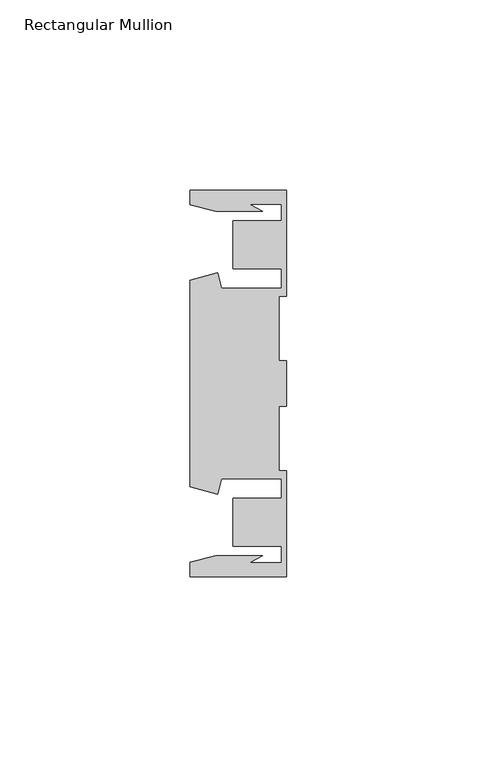
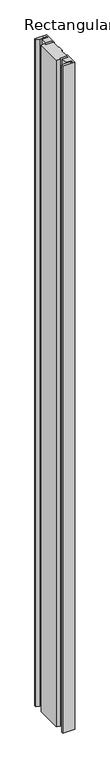
"""IFC4 building model written with IfcOpenShell, lengths in millimetres: member geometry, Rectangular Mullion."""

from ifc_helpers import new_model, si_unit, frame, origin, place, context, project, spatial, polyline, outline, extrude, source, transform, mapped, element, save


def rectangular_mullion_53c0f093(model_context):
    return source(origin(), model_context, "Body", "SweptSolid", [
        extrude(outline(polyline([(-25.4, 50.7954622), (0.0, 50.7954622), (0.0, 22.9938072), (-2.0000011, 22.9938072), (-2.0000011, 6.0000032), (0.0, 6.0000032), (0.0, -6.0000032), (-2.0000011, -6.0000032), (-2.0000011, -22.9938072), (0.0, -22.9938072), (0.0, -50.7954622), (-25.4, -50.7954622), (-25.4, -46.9998463), (-18.7113002, -45.2076146), (-6.3834869, -45.2076146), (-9.7005662, -47.1227313), (-1.4138425, -47.1227313), (-1.4138425, -42.8128906), (-14.1138425, -42.8128906), (-14.1138425, -30.1128906), (-1.4138425, -30.1128906), (-1.4138425, -25.0120132), (-17.1094033, -25.0120132), (-18.2017212, -29.0885993), (-25.4, -27.1598263), (-25.4, 27.1598263), (-18.2017212, 29.0885993), (-17.1094033, 25.0120132), (-1.4138425, 25.0120132), (-1.4138425, 30.1128906), (-14.1138425, 30.1128906), (-14.1138425, 42.8128906), (-1.4138425, 42.8128906), (-1.4138425, 47.1227313), (-9.7005662, 47.1227313), (-6.3834869, 45.2076146), (-18.7113002, 45.2076146), (-25.4, 46.9998463), (-25.4, 50.7954622)])), frame((0.0, 0.0, -1491.3428571), z_axis=(0.0, 0.0, 1.0), x_axis=(1.0, 0.0, 0.0)), (0.0, 0.0, 1.0), 1491.3428571),
    ])


if __name__ == "__main__":
    model = new_model("IFC4")
    model_context = context("Model", 3, world=origin())
    ifc_project = project(units=[si_unit("LENGTHUNIT", "METRE", prefix="MILLI")], contexts=[model_context])
    site = spatial("IfcSite", under=ifc_project)
    building = spatial("IfcBuilding", under=site)
    placement = place(None, origin())
    rectangular_mullion_shape = rectangular_mullion_53c0f093(model_context)
    element("IfcMember", 1, ObjectType="Rectangular Mullion", at=placement, inside=building, context=model_context, shape_type="MappedRepresentation", body=[
        mapped(rectangular_mullion_shape, transform((0.0, 0.0, 0.0), x_axis=(1.0, 0.0, 0.0), y_axis=(0.0, 1.0, 0.0), z_axis=(0.0, 0.0, 1.0))),
    ])
    save(model, "model.ifc")
